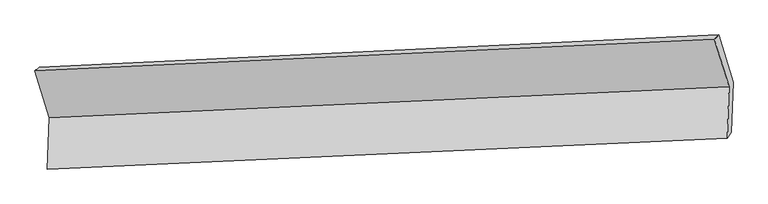
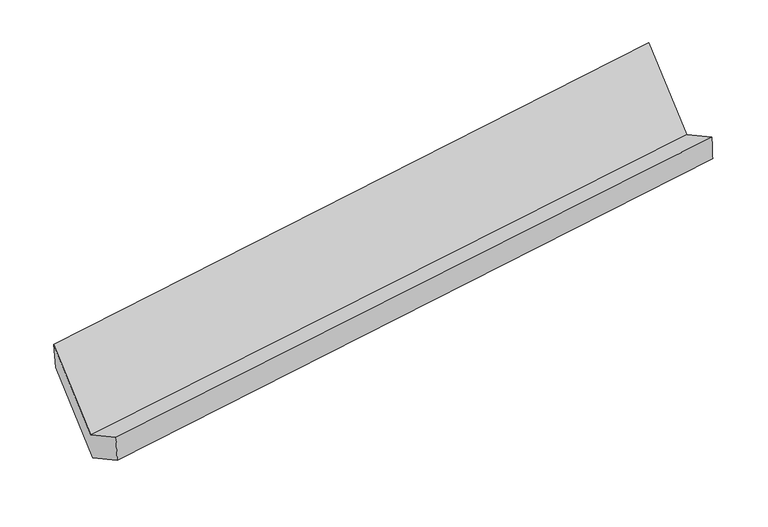
"""IFC4 building model written with IfcOpenShell, lengths in millimetres: proxy geometry."""

from ifc_helpers import new_model, si_unit, frame, origin, place, context, project, spatial, source, transform, mapped, element, save
from ifc_brep_helpers import plane_surface, spline_surface, advanced_brep


def generic_models_3576b80f(model_context):
    return source(origin(), model_context, "Body", "AdvancedBrep", [
        advanced_brep(
        [(-5173.4846424, -1616.7528929, 1443.3260435), (-5185.3142997, -1970.647881, 1639.9716056), (-515.4361586, -1758.7227337, 2302.2916896), (-503.6065014, -1404.8277456, 2105.6461275), (-5155.4659327, -1936.1689249, 1423.7449004), (-487.0733047, -1719.4026417, 2094.6880148), (-5143.9283426, -1591.01139, 1231.9543983), (-475.5357146, -1374.2451068, 1902.8975127), (-5242.1433522, -1270.9386476, 1802.0678974), (-575.2362372, -1049.3312284, 2481.6340422), (-5271.699652, -1296.6801504, 2013.4395426), (-603.307024, -1079.9138672, 2684.382657)],
        [
            (0, 1),
            (1, 2),
            (2, 3),
            (3, 0),
            (1, 4),
            (4, 5),
            (5, 2),
            (4, 6),
            (6, 7),
            (7, 5),
            (6, 8),
            (8, 9),
            (9, 7),
            (8, 10),
            (10, 11),
            (11, 9),
            (10, 0),
            (3, 11),
        ],
        [
            plane_surface(frame((-5179.399471, -1793.7003869, 1541.6488245), z_axis=(-0.14436273687504514, 0.48430808717473867, 0.8629050219456903), x_axis=(-0.02920670831600636, -0.8737453241103068, 0.48550600077107053))),
            spline_surface(1, 1, [[(-5185.3142997, -1970.647881, 1639.9716056), (-515.4361586, -1758.7227337, 2302.2916896)], [(-5155.4659327, -1936.1689249, 1423.7449004), (-487.0733047, -1719.4026417, 2094.6880148)]], [2, 2], [2, 2], [0.0, 1.0], [0.0, 1.0]),
            plane_surface(frame((-5149.6971377, -1763.5901575, 1327.8496494), z_axis=(0.14645733748370263, -0.48421193046777466, -0.8626059672236541), x_axis=(0.029206708316006334, 0.8737453241103067, -0.4855060007710708))),
            plane_surface(frame((-5193.0358474, -1430.9750188, 1517.0111479), z_axis=(0.02920670831600755, 0.8737453241103064, -0.4855060007710713), x_axis=(-0.14855129986448481, 0.4841136006788421, 0.8623030400887722))),
            spline_surface(1, 1, [[(-5242.1433522, -1270.9386476, 1802.0678974), (-575.2362372, -1049.3312284, 2481.6340422)], [(-5271.699652, -1296.6801504, 2013.4395426), (-603.307024, -1079.9138672, 2684.382657)]], [2, 2], [2, 2], [0.0, 1.0], [0.0, 1.0]),
            plane_surface(frame((-5222.5921472, -1456.7165217, 1728.382793), z_axis=(-0.029206708316006802, -0.8737453241103064, 0.48550600077107103), x_axis=(0.1485512998644847, -0.48411360067884174, -0.8623030400887723))),
            plane_surface(frame((-526.6991568, -1397.7405539, 2261.9233406), z_axis=(0.9884733074281347, 0.04693751413467038, 0.14393536837394083), x_axis=(-0.13563731748959307, -0.14777452147922368, 0.9796760734578618))),
            plane_surface(frame((-5195.3393703, -1613.6999812, 1592.417398), z_axis=(-0.9884733074281364, -0.04693751413468454, -0.14393536837392373), x_axis=(-0.14855129986447707, 0.48411360067882997, 0.8623030400887802))),
        ],
        [
            (0, [[1, 2, 3, 4]]),
            (1, [[5, 6, 7, -2]]),
            (2, [[8, 9, 10, -6]]),
            (3, [[11, 12, 13, -9]]),
            (4, [[14, 15, 16, -12]]),
            (5, [[17, -4, 18, -15]]),
            (6, [[-16, -18, -3, -7, -10, -13]]),
            (7, [[-17, -14, -11, -8, -5, -1]]),
        ],
    ),
    ])


if __name__ == "__main__":
    model = new_model("IFC4")
    model_context = context("Model", 3, world=origin())
    ifc_project = project(units=[si_unit("LENGTHUNIT", "METRE", prefix="MILLI")], contexts=[model_context])
    site = spatial("IfcSite", under=ifc_project)
    building = spatial("IfcBuilding", under=site)
    placement = place(None, origin())
    generic_models_shape = generic_models_3576b80f(model_context)
    element("IfcBuildingElementProxy", 1, Name="Generic Models", at=placement, inside=building, context=model_context, shape_type="MappedRepresentation", body=[
        mapped(generic_models_shape, transform((0.0, 0.0, 0.0), x_axis=(1.0, 0.0, 0.0), y_axis=(0.0, 1.0, 0.0), z_axis=(0.0, 0.0, 1.0))),
    ])
    save(model, "model.ifc")
